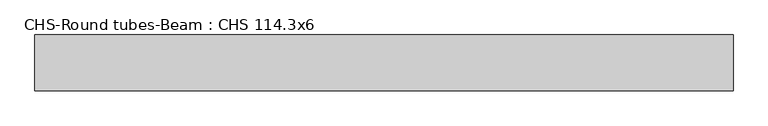
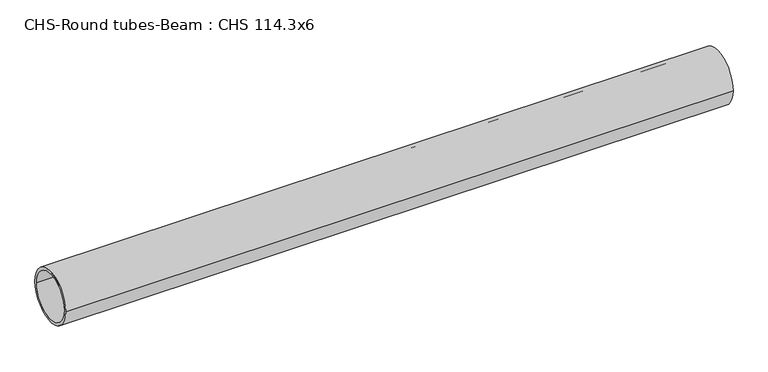
"""IFC4 building model written with IfcOpenShell, lengths in millimetres: beam geometry, CHS-Round tubes-Beam : CHS 114.3x6."""

from ifc_helpers import new_model, si_unit, point, frame, origin, origin_2d, place, context, project, spatial, circle_curve, trimmed, segment, composite_curve, outline, extrude, source, transform, mapped, element, save


def chs_round_tubes_beam_chs_114_3x6_38b6be9b(model_context):
    return source(origin(), model_context, "Body", "SweptSolid", [
        extrude(outline(composite_curve([segment(trimmed(circle_curve(origin_2d(), 57.15), [point((57.15, 0.0))], [point((-57.15, 0.0))], False, "CARTESIAN"), True, "CONTINUOUS"), segment(trimmed(circle_curve(origin_2d(), 57.15), [point((-57.15, 0.0))], [point((57.15, 0.0))], False, "CARTESIAN"), True, "CONTINUOUS")], self_intersect=False), holes=[composite_curve([segment(trimmed(circle_curve(origin_2d(), 51.15), [point((51.15, 0.0))], [point((-51.15, 0.0))], True, "CARTESIAN"), True, "CONTINUOUS"), segment(trimmed(circle_curve(origin_2d(), 51.15), [point((-51.15, 0.0))], [point((51.15, 0.0))], True, "CARTESIAN"), True, "CONTINUOUS")], self_intersect=False)]), frame((-702.7334388, 0.0, 0.0), z_axis=(1.0, 0.0, 0.0), x_axis=(0.0, 1.0, 0.0)), (0.0, 0.0, 1.0), 1428.3835153),
    ])


if __name__ == "__main__":
    model = new_model("IFC4")
    model_context = context("Model", 3, world=origin())
    ifc_project = project(units=[si_unit("LENGTHUNIT", "METRE", prefix="MILLI")], contexts=[model_context])
    site = spatial("IfcSite", under=ifc_project)
    building = spatial("IfcBuilding", under=site)
    placement = place(None, origin())
    chs_round_tubes_beam_chs_114_3x6_shape = chs_round_tubes_beam_chs_114_3x6_38b6be9b(model_context)
    element("IfcBeam", 1, ObjectType="CHS-Round tubes-Beam : CHS 114.3x6", at=placement, inside=building, context=model_context, shape_type="MappedRepresentation", body=[
        mapped(chs_round_tubes_beam_chs_114_3x6_shape, transform((0.0, 0.0, 0.0), x_axis=(1.0, 0.0, 0.0), y_axis=(0.0, 1.0, 0.0), z_axis=(0.0, 0.0, 1.0))),
    ])
    save(model, "model.ifc")
